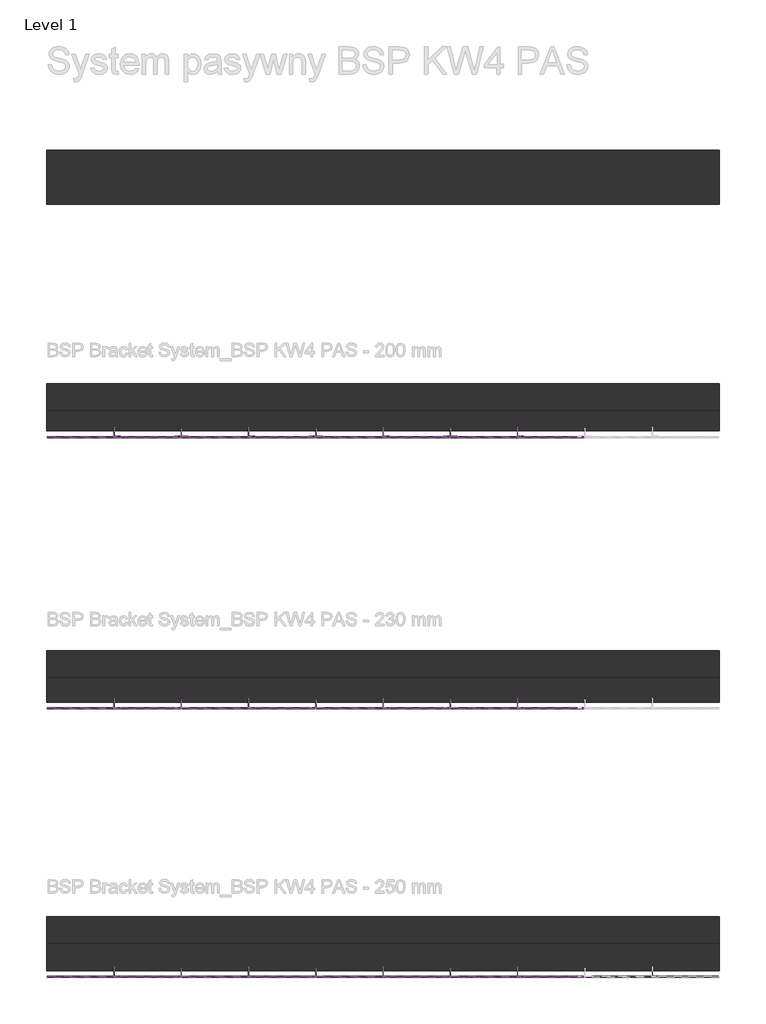
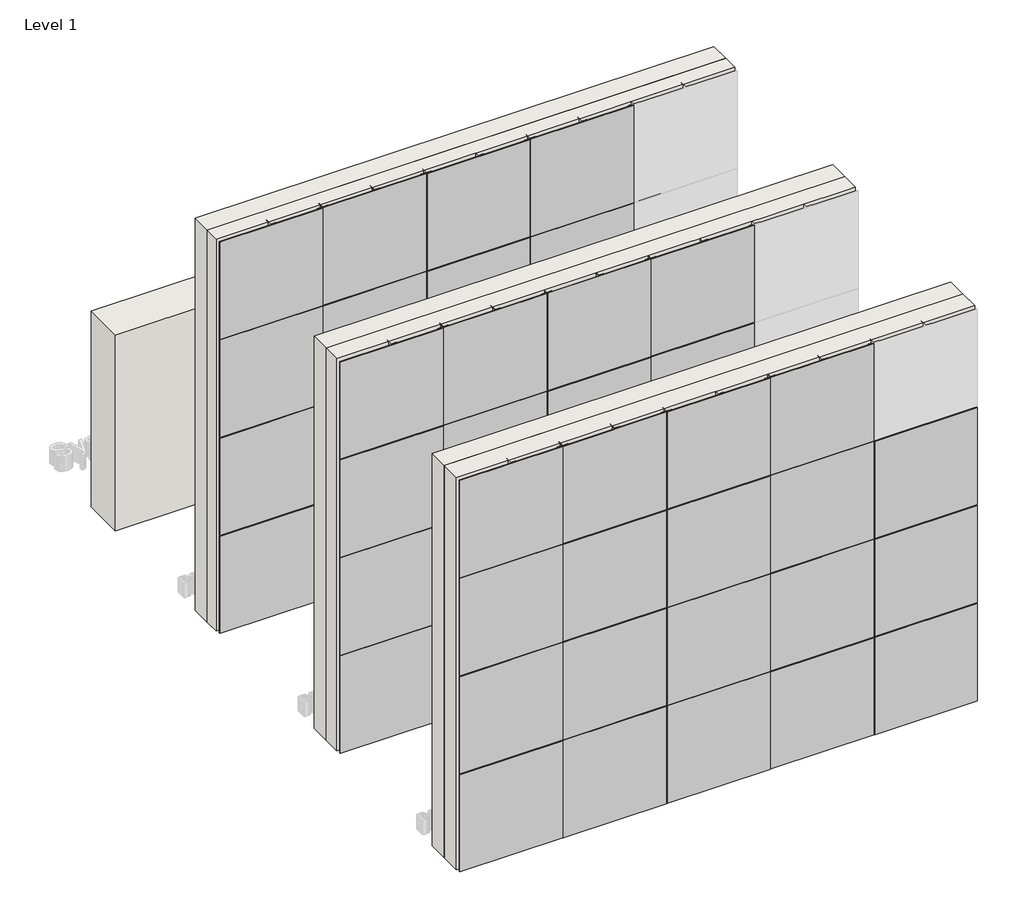
# One storey, part 1 of 9: 51 plates, 36 members, 4 walls.
"""IFC4 building model written with IfcOpenShell, lengths in millimetres."""

import ifcopenshell
import ifcopenshell.guid

model = None  # the IFC model being written
_history = None  # IfcOwnerHistory: only IFC2X3 demands one
_inside = {}  # id of a spatial element -> (the spatial element, [elements in it])
_under = {}  # id of a project, library or spatial element -> (it, [spatial elements below it])
_declared = {}  # id of a project -> (the project, [libraries it declares])
_typed = {}  # id of a type object -> (the type object, [elements of that type])
_made_of = {}  # id of a material, layer set ... -> (it, [elements and type objects made of it])


def new_model(schema):
    """Start an empty IFC model of exactly this schema.

    Asked for "IFC4X3", IfcOpenShell would pick the latest addendum, in which some entities
    have other attributes; the version numbers below select the first issue.
    IFC2X3 requires an IfcOwnerHistory on every rooted entity: one is made here for all.
    """
    global model, _history
    if schema == "IFC4X3":
        model = ifcopenshell.file(schema_version=(4, 3, 0, 0))
    else:
        model = ifcopenshell.file(schema=schema)
    _inside.clear()
    _under.clear()
    _declared.clear()
    _typed.clear()
    _made_of.clear()
    _history = None
    if model.schema == "IFC2X3":
        org = make("IfcOrganization", Name="unknown")
        user = make(
            "IfcPersonAndOrganization",
            ThePerson=make("IfcPerson", FamilyName="unknown"),
            TheOrganization=org,
        )
        app = make(
            "IfcApplication",
            ApplicationDeveloper=org,
            Version="unknown",
            ApplicationFullName="unknown",
            ApplicationIdentifier="unknown",
        )
        _history = make(
            "IfcOwnerHistory",
            OwningUser=user,
            OwningApplication=app,
            ChangeAction="ADDED",
            CreationDate=0,
        )
    return model


def make(cls, **values):
    """One entity of the class cls with the attributes given. An attribute that is None is left unset."""
    return model.create_entity(
        cls, **{name: value for name, value in values.items() if value is not None}
    )


def rooted(cls, **values):
    """An entity with a GlobalId (a new one), such as an element, a storey or a relation."""
    return make(cls, GlobalId=ifcopenshell.guid.new(), OwnerHistory=_history, **values)


def si_unit(unit_type, name, prefix=None):
    """IfcSIUnit, for example si_unit("LENGTHUNIT", "METRE", prefix="MILLI")."""
    return make("IfcSIUnit", UnitType=unit_type, Prefix=prefix, Name=name)


def assignment(units):
    """IfcUnitAssignment: the units of a project."""
    return None if units is None else make("IfcUnitAssignment", Units=units)


def point(xyz):
    """IfcCartesianPoint."""
    return None if xyz is None else make("IfcCartesianPoint", Coordinates=xyz)


def direction(xyz):
    """IfcDirection."""
    return None if xyz is None else make("IfcDirection", DirectionRatios=xyz)


def frame(location, z_axis=None, x_axis=None):
    """IfcAxis2Placement3D, a coordinate frame: its origin and axes. An axis left out is left unset."""
    return make(
        "IfcAxis2Placement3D",
        Location=point(location),
        Axis=direction(z_axis),
        RefDirection=direction(x_axis),
    )


def origin():
    """The frame at (0, 0, 0) with its axes left unset."""
    return frame((0.0, 0.0, 0.0))


def origin_with_axes():
    """The frame at (0, 0, 0) with the z axis (0, 0, 1) and the x axis (1, 0, 0) written out."""
    return frame((0.0, 0.0, 0.0), z_axis=(0.0, 0.0, 1.0), x_axis=(1.0, 0.0, 0.0))


def place(relative_to, where):
    """IfcLocalPlacement: puts the frame where relative to a parent placement (None: the world)."""
    return make(
        "IfcLocalPlacement", PlacementRelTo=relative_to, RelativePlacement=where
    )


def context(
    kind, dimensions, precision=None, world=None, true_north=None, identifier=None
):
    """IfcGeometricRepresentationContext, for example the 3D "Model" context."""
    return make(
        "IfcGeometricRepresentationContext",
        ContextIdentifier=identifier,
        ContextType=kind,
        CoordinateSpaceDimension=dimensions,
        Precision=precision,
        WorldCoordinateSystem=world,
        TrueNorth=true_north,
    )


def project(units=None, contexts=None):
    """IfcProject with its units and contexts."""
    return rooted(
        "IfcProject",
        Name="project",
        RepresentationContexts=contexts,
        UnitsInContext=assignment(units),
    )


def spatial(cls, under=None, at=None, **own):
    """A site, building, storey or space (cls), placed at a placement, below another one or the project."""
    s = rooted(cls, ObjectPlacement=at, **own)
    if under is not None:
        _under.setdefault(under.id(), (under, []))[1].append(s)
    return s


def polyline(points):
    """IfcPolyline through the points."""
    return make("IfcPolyline", Points=[point(p) for p in points])


def outline(outer, holes=None, kind="AREA"):
    """IfcArbitraryClosedProfileDef: a profile drawn as a closed curve; with holes, ...WithVoids."""
    if holes is None:
        return make("IfcArbitraryClosedProfileDef", ProfileType=kind, OuterCurve=outer)
    return make(
        "IfcArbitraryProfileDefWithVoids",
        ProfileType=kind,
        OuterCurve=outer,
        InnerCurves=holes,
    )


def extrude(swept, where, along, depth):
    """IfcExtrudedAreaSolid: the profile swept, set in the frame where, extruded along a direction by depth."""
    return make(
        "IfcExtrudedAreaSolid",
        SweptArea=swept,
        Position=where,
        ExtrudedDirection=direction(along),
        Depth=depth,
    )


def shape(context_of_items, identifier, shape_type, items):
    """IfcShapeRepresentation: the items that make up one representation, for example the "Body"."""
    return make(
        "IfcShapeRepresentation",
        ContextOfItems=context_of_items,
        RepresentationIdentifier=identifier,
        RepresentationType=shape_type,
        Items=items,
    )


def source(mapping_origin, context_of_items, identifier, shape_type, items):
    """IfcRepresentationMap: a shape defined once, which mapped items show again and again."""
    return make(
        "IfcRepresentationMap",
        MappingOrigin=mapping_origin,
        MappedRepresentation=shape(context_of_items, identifier, shape_type, items),
    )


def transform(
    local_origin,
    x_axis=None,
    y_axis=None,
    z_axis=None,
    scale=None,
    scale2=None,
    scale3=None,
    uniform=True,
):
    """IfcCartesianTransformationOperator3D, or its non-uniform kind. x_axis, y_axis, z_axis: its Axis1, 2, 3."""
    if uniform:
        return make(
            "IfcCartesianTransformationOperator3D",
            Axis1=direction(x_axis),
            Axis2=direction(y_axis),
            LocalOrigin=point(local_origin),
            Scale=scale,
            Axis3=direction(z_axis),
        )
    return make(
        "IfcCartesianTransformationOperator3DnonUniform",
        Axis1=direction(x_axis),
        Axis2=direction(y_axis),
        LocalOrigin=point(local_origin),
        Scale=scale,
        Axis3=direction(z_axis),
        Scale2=scale2,
        Scale3=scale3,
    )


def mapped(mapping_source, mapping_target):
    """IfcMappedItem: shows the shape of a source again, moved by a transform."""
    return make(
        "IfcMappedItem", MappingSource=mapping_source, MappingTarget=mapping_target
    )


def made_of(thing, what):
    """Note that an element or type object is made of a material, layer set ...; save() writes the relation."""
    if what is not None:
        _made_of.setdefault(what.id(), (what, []))[1].append(thing)
    return thing


def element(
    cls,
    number,
    at=None,
    inside=None,
    cuts=None,
    type_object=None,
    material=None,
    context=None,
    identifier="Body",
    shape_type=None,
    held_by="IfcProductDefinitionShape",
    body=None,
    shapes=None,
    **own,
):
    """One element of the class cls, such as IfcWall. Its Tag is "e" and its number.

    at: its placement. inside: the storey or other place that contains it. cuts: it is an
    opening in that element (IfcRelVoidsElement). A single representation is given by context,
    identifier, shape_type and body (its items); several are given by shapes. held_by: the class
    of the entity that holds the representations. save() writes the other relations.
    """
    e = rooted(cls, Tag="e%d" % number, ObjectPlacement=at, **own)
    if body is not None:
        shapes = [shape(context, identifier, shape_type, body)]
    if shapes is not None:
        e.Representation = make(held_by, Representations=shapes)
    if inside is not None:
        _inside.setdefault(inside.id(), (inside, []))[1].append(e)
    if cuts is not None:
        rooted(
            "IfcRelVoidsElement", RelatingBuildingElement=cuts, RelatedOpeningElement=e
        )
    if type_object is not None:
        _typed.setdefault(type_object.id(), (type_object, []))[1].append(e)
    return made_of(e, material)


def aggregate(whole, parts):
    """IfcRelAggregates: a whole, such as a stair, and the parts it consists of."""
    return rooted("IfcRelAggregates", RelatingObject=whole, RelatedObjects=parts)


def save(model, path):
    """Write the relations noted so far, then the file.

    IfcRelAggregates (storeys below a building ...), IfcRelContainedInSpatialStructure (elements
    in a storey), IfcRelDefinesByType, IfcRelAssociatesMaterial and IfcRelDeclares: one each for
    every whole, place, type object, material and project.
    """
    for whole, parts in _under.values():
        aggregate(whole, parts)
    for where, things in _inside.values():
        rooted(
            "IfcRelContainedInSpatialStructure",
            RelatedElements=things,
            RelatingStructure=where,
        )
    for kind, things in _typed.values():
        rooted("IfcRelDefinesByType", RelatedObjects=things, RelatingType=kind)
    for what, things in _made_of.values():
        rooted("IfcRelAssociatesMaterial", RelatedObjects=things, RelatingMaterial=what)
    for by, libraries in _declared.values():
        rooted("IfcRelDeclares", RelatingContext=by, RelatedDefinitions=libraries)
    model.write(path)


def rectangular_mullion_8bf15701(model_context):
    return source(origin(), model_context, "Body", "SweptSolid", [
        extrude(outline(polyline([(49.0, -242.0), (-51.0, -242.0), (-51.0, -240.0), (-2.0, -240.0), (-2.0, -182.0), (0.0, -182.0), (0.0, -240.0), (49.0, -240.0), (49.0, -242.0)])), frame((0.0, 0.0, -1000.0), z_axis=(0.0, 0.0, 1.0), x_axis=(1.0, 0.0, 0.0)), (0.0, 0.0, 1.0), 1000.0),
    ])


def rectangular_mullion_cf483ad7(model_context):
    return source(origin(), model_context, "Body", "SweptSolid", [
        extrude(outline(polyline([(49.0, -222.0), (-51.0, -222.0), (-51.0, -220.0), (-2.0, -220.0), (-2.0, -162.0), (0.0, -162.0), (0.0, -220.0), (49.0, -220.0), (49.0, -222.0)])), frame((0.0, 0.0, -1000.0), z_axis=(0.0, 0.0, 1.0), x_axis=(1.0, 0.0, 0.0)), (0.0, 0.0, 1.0), 1000.0),
    ])


def rectangular_mullion_188cab97(model_context):
    return source(origin(), model_context, "Body", "SweptSolid", [
        extrude(outline(polyline([(49.0, -192.0), (-51.0, -192.0), (-51.0, -190.0), (-2.0, -190.0), (-2.0, -132.0), (0.0, -132.0), (0.0, -190.0), (49.0, -190.0), (49.0, -192.0)])), frame((0.0, 0.0, -1000.0), z_axis=(0.0, 0.0, 1.0), x_axis=(1.0, 0.0, 0.0)), (0.0, 0.0, 1.0), 1000.0),
    ])


def bsp_panel_200_mm_5d8d53f0(model_context):
    return source(origin(), model_context, "Body", "SweptSolid", [
        extrude(outline(polyline([(496.0000001, 200.0), (496.0000001, 192.0), (-496.0000001, 192.0), (-496.0000001, 200.0), (496.0000001, 200.0)])), frame((0.0, 0.0, 4.0), z_axis=(0.0, 0.0, 1.0), x_axis=(1.0, 0.0, 0.0)), (0.0, 0.0, 1.0), 992.0),
        extrude(outline(polyline([(-50.0, 192.0), (0.0, 192.0), (0.0, 122.0), (-2.0, 122.0), (-2.0, 190.0), (-50.0, 190.0), (-50.0, 192.0)])), origin_with_axes(), (0.0, 0.0, 1.0), 1000.0),
    ])


def bsp_panel_230_mm_23652ffd(model_context):
    return source(origin(), model_context, "Body", "SweptSolid", [
        extrude(outline(polyline([(496.0000001, 230.0), (496.0000001, 222.0), (-496.0000001, 222.0), (-496.0000001, 230.0), (496.0000001, 230.0)])), frame((0.0, 0.0, 4.0), z_axis=(0.0, 0.0, 1.0), x_axis=(1.0, 0.0, 0.0)), (0.0, 0.0, 1.0), 992.0),
        extrude(outline(polyline([(-50.0, 222.0), (0.0, 222.0), (0.0, 152.0), (-2.0, 152.0), (-2.0, 220.0), (-50.0, 220.0), (-50.0, 222.0)])), origin_with_axes(), (0.0, 0.0, 1.0), 1000.0),
    ])


def bsp_panel_250_mm_bfacd3bb(model_context):
    return source(origin(), model_context, "Body", "SweptSolid", [
        extrude(outline(polyline([(496.0000001, 250.0), (496.0000001, 242.0), (-496.0000001, 242.0), (-496.0000001, 250.0), (496.0000001, 250.0)])), frame((0.0, 0.0, 4.0), z_axis=(0.0, 0.0, 1.0), x_axis=(1.0, 0.0, 0.0)), (0.0, 0.0, 1.0), 992.0),
        extrude(outline(polyline([(-50.0, 242.0), (0.0, 242.0), (0.0, 172.0), (-2.0, 172.0), (-2.0, 240.0), (-50.0, 240.0), (-50.0, 242.0)])), origin_with_axes(), (0.0, 0.0, 1.0), 1000.0),
    ])


model = new_model("IFC4")

# Units and contexts
model_context = context("Model", 3, world=origin())
ifc_project = project(units=[si_unit("LENGTHUNIT", "METRE", prefix="MILLI")], contexts=[model_context])

# Site, building, storey
site = spatial("IfcSite", under=ifc_project)
building = spatial("IfcBuilding", under=site)
storey = spatial("IfcBuildingStorey", under=building, Name="Level 1", Elevation=0.0)

# Members
placement = place(None, origin())
rectangular_mullion_shape = rectangular_mullion_8bf15701(model_context)
element("IfcMember", 1, ObjectType="Rectangular Mullion", at=placement, inside=storey, context=model_context, shape_type="MappedRepresentation", body=[
    mapped(rectangular_mullion_shape, transform((-797.4368322, -6164.2281509, 0.0), x_axis=(-1.0, 0.0, 0.0), y_axis=(0.0, 1.0, 0.0), z_axis=(0.0, 0.0, -1.0))),
])
element("IfcMember", 2, ObjectType="Rectangular Mullion", at=placement, inside=storey, context=model_context, shape_type="MappedRepresentation", body=[
    mapped(rectangular_mullion_shape, transform((-1797.4368321, -6164.2281509, 0.0), x_axis=(-1.0, 0.0, 0.0), y_axis=(0.0, 1.0, 0.0), z_axis=(0.0, 0.0, -1.0))),
])
element("IfcMember", 3, ObjectType="Rectangular Mullion", at=placement, inside=storey, context=model_context, shape_type="MappedRepresentation", body=[
    mapped(rectangular_mullion_shape, transform((-2797.436832, -6164.2281509, 0.0), x_axis=(-1.0, 0.0, 0.0), y_axis=(0.0, 1.0, 0.0), z_axis=(0.0, 0.0, -1.0))),
])
element("IfcMember", 4, ObjectType="Rectangular Mullion", at=placement, inside=storey, context=model_context, shape_type="MappedRepresentation", body=[
    mapped(rectangular_mullion_shape, transform((-797.4368322, -6164.2281509, 1000.0), x_axis=(-1.0, 0.0, 0.0), y_axis=(0.0, 1.0, 0.0), z_axis=(0.0, 0.0, -1.0))),
])
element("IfcMember", 5, ObjectType="Rectangular Mullion", at=placement, inside=storey, context=model_context, shape_type="MappedRepresentation", body=[
    mapped(rectangular_mullion_shape, transform((-1797.4368321, -6164.2281509, 1000.0), x_axis=(-1.0, 0.0, 0.0), y_axis=(0.0, 1.0, 0.0), z_axis=(0.0, 0.0, -1.0))),
])
element("IfcMember", 6, ObjectType="Rectangular Mullion", at=placement, inside=storey, context=model_context, shape_type="MappedRepresentation", body=[
    mapped(rectangular_mullion_shape, transform((-2797.436832, -6164.2281509, 1000.0), x_axis=(-1.0, 0.0, 0.0), y_axis=(0.0, 1.0, 0.0), z_axis=(0.0, 0.0, -1.0))),
])
element("IfcMember", 7, ObjectType="Rectangular Mullion", at=placement, inside=storey, context=model_context, shape_type="MappedRepresentation", body=[
    mapped(rectangular_mullion_shape, transform((-797.4368322, -6164.2281509, 2000.0), x_axis=(-1.0, 0.0, 0.0), y_axis=(0.0, 1.0, 0.0), z_axis=(0.0, 0.0, -1.0))),
])
element("IfcMember", 8, ObjectType="Rectangular Mullion", at=placement, inside=storey, context=model_context, shape_type="MappedRepresentation", body=[
    mapped(rectangular_mullion_shape, transform((-1797.4368321, -6164.2281509, 2000.0), x_axis=(-1.0, 0.0, 0.0), y_axis=(0.0, 1.0, 0.0), z_axis=(0.0, 0.0, -1.0))),
])
element("IfcMember", 9, ObjectType="Rectangular Mullion", at=placement, inside=storey, context=model_context, shape_type="MappedRepresentation", body=[
    mapped(rectangular_mullion_shape, transform((-2797.436832, -6164.2281509, 2000.0), x_axis=(-1.0, 0.0, 0.0), y_axis=(0.0, 1.0, 0.0), z_axis=(0.0, 0.0, -1.0))),
])
element("IfcMember", 10, ObjectType="Rectangular Mullion", at=placement, inside=storey, context=model_context, shape_type="MappedRepresentation", body=[
    mapped(rectangular_mullion_shape, transform((-797.4368322, -6164.2281509, 3000.0), x_axis=(-1.0, 0.0, 0.0), y_axis=(0.0, 1.0, 0.0), z_axis=(0.0, 0.0, -1.0))),
])
element("IfcMember", 11, ObjectType="Rectangular Mullion", at=placement, inside=storey, context=model_context, shape_type="MappedRepresentation", body=[
    mapped(rectangular_mullion_shape, transform((-1797.4368321, -6164.2281509, 3000.0), x_axis=(-1.0, 0.0, 0.0), y_axis=(0.0, 1.0, 0.0), z_axis=(0.0, 0.0, -1.0))),
])
element("IfcMember", 12, ObjectType="Rectangular Mullion", at=placement, inside=storey, context=model_context, shape_type="MappedRepresentation", body=[
    mapped(rectangular_mullion_shape, transform((-2797.436832, -6164.2281509, 3000.0), x_axis=(-1.0, 0.0, 0.0), y_axis=(0.0, 1.0, 0.0), z_axis=(0.0, 0.0, -1.0))),
])
rectangular_mullion_2_shape = rectangular_mullion_cf483ad7(model_context)
element("IfcMember", 13, ObjectType="Rectangular Mullion", at=placement, inside=storey, context=model_context, shape_type="MappedRepresentation", body=[
    mapped(rectangular_mullion_2_shape, transform((-797.4368322, -4189.2281509, 0.0), x_axis=(-1.0, 0.0, 0.0), y_axis=(0.0, 1.0, 0.0), z_axis=(0.0, 0.0, -1.0))),
])
element("IfcMember", 14, ObjectType="Rectangular Mullion", at=placement, inside=storey, context=model_context, shape_type="MappedRepresentation", body=[
    mapped(rectangular_mullion_2_shape, transform((-1797.4368321, -4189.2281509, 0.0), x_axis=(-1.0, 0.0, 0.0), y_axis=(0.0, 1.0, 0.0), z_axis=(0.0, 0.0, -1.0))),
])
element("IfcMember", 15, ObjectType="Rectangular Mullion", at=placement, inside=storey, context=model_context, shape_type="MappedRepresentation", body=[
    mapped(rectangular_mullion_2_shape, transform((-2797.436832, -4189.2281509, 0.0), x_axis=(-1.0, 0.0, 0.0), y_axis=(0.0, 1.0, 0.0), z_axis=(0.0, 0.0, -1.0))),
])
element("IfcMember", 16, ObjectType="Rectangular Mullion", at=placement, inside=storey, context=model_context, shape_type="MappedRepresentation", body=[
    mapped(rectangular_mullion_2_shape, transform((-797.4368322, -4189.2281509, 1000.0), x_axis=(-1.0, 0.0, 0.0), y_axis=(0.0, 1.0, 0.0), z_axis=(0.0, 0.0, -1.0))),
])
element("IfcMember", 17, ObjectType="Rectangular Mullion", at=placement, inside=storey, context=model_context, shape_type="MappedRepresentation", body=[
    mapped(rectangular_mullion_2_shape, transform((-1797.4368321, -4189.2281509, 1000.0), x_axis=(-1.0, 0.0, 0.0), y_axis=(0.0, 1.0, 0.0), z_axis=(0.0, 0.0, -1.0))),
])
element("IfcMember", 18, ObjectType="Rectangular Mullion", at=placement, inside=storey, context=model_context, shape_type="MappedRepresentation", body=[
    mapped(rectangular_mullion_2_shape, transform((-2797.436832, -4189.2281509, 1000.0), x_axis=(-1.0, 0.0, 0.0), y_axis=(0.0, 1.0, 0.0), z_axis=(0.0, 0.0, -1.0))),
])
element("IfcMember", 19, ObjectType="Rectangular Mullion", at=placement, inside=storey, context=model_context, shape_type="MappedRepresentation", body=[
    mapped(rectangular_mullion_2_shape, transform((-797.4368322, -4189.2281509, 2000.0), x_axis=(-1.0, 0.0, 0.0), y_axis=(0.0, 1.0, 0.0), z_axis=(0.0, 0.0, -1.0))),
])
element("IfcMember", 20, ObjectType="Rectangular Mullion", at=placement, inside=storey, context=model_context, shape_type="MappedRepresentation", body=[
    mapped(rectangular_mullion_2_shape, transform((-1797.4368321, -4189.2281509, 2000.0), x_axis=(-1.0, 0.0, 0.0), y_axis=(0.0, 1.0, 0.0), z_axis=(0.0, 0.0, -1.0))),
])
element("IfcMember", 21, ObjectType="Rectangular Mullion", at=placement, inside=storey, context=model_context, shape_type="MappedRepresentation", body=[
    mapped(rectangular_mullion_2_shape, transform((-2797.436832, -4189.2281509, 2000.0), x_axis=(-1.0, 0.0, 0.0), y_axis=(0.0, 1.0, 0.0), z_axis=(0.0, 0.0, -1.0))),
])
element("IfcMember", 22, ObjectType="Rectangular Mullion", at=placement, inside=storey, context=model_context, shape_type="MappedRepresentation", body=[
    mapped(rectangular_mullion_2_shape, transform((-797.4368322, -4189.2281509, 3000.0), x_axis=(-1.0, 0.0, 0.0), y_axis=(0.0, 1.0, 0.0), z_axis=(0.0, 0.0, -1.0))),
])
element("IfcMember", 23, ObjectType="Rectangular Mullion", at=placement, inside=storey, context=model_context, shape_type="MappedRepresentation", body=[
    mapped(rectangular_mullion_2_shape, transform((-1797.4368321, -4189.2281509, 3000.0), x_axis=(-1.0, 0.0, 0.0), y_axis=(0.0, 1.0, 0.0), z_axis=(0.0, 0.0, -1.0))),
])
element("IfcMember", 24, ObjectType="Rectangular Mullion", at=placement, inside=storey, context=model_context, shape_type="MappedRepresentation", body=[
    mapped(rectangular_mullion_2_shape, transform((-2797.436832, -4189.2281509, 3000.0), x_axis=(-1.0, 0.0, 0.0), y_axis=(0.0, 1.0, 0.0), z_axis=(0.0, 0.0, -1.0))),
])
rectangular_mullion_3_shape = rectangular_mullion_188cab97(model_context)
element("IfcMember", 25, ObjectType="Rectangular Mullion", at=placement, inside=storey, context=model_context, shape_type="MappedRepresentation", body=[
    mapped(rectangular_mullion_3_shape, transform((-797.4368322, -2204.2281509, 0.0), x_axis=(-1.0, 0.0, 0.0), y_axis=(0.0, 1.0, 0.0), z_axis=(0.0, 0.0, -1.0))),
])
element("IfcMember", 26, ObjectType="Rectangular Mullion", at=placement, inside=storey, context=model_context, shape_type="MappedRepresentation", body=[
    mapped(rectangular_mullion_3_shape, transform((-1797.4368321, -2204.2281509, 0.0), x_axis=(-1.0, 0.0, 0.0), y_axis=(0.0, 1.0, 0.0), z_axis=(0.0, 0.0, -1.0))),
])
element("IfcMember", 27, ObjectType="Rectangular Mullion", at=placement, inside=storey, context=model_context, shape_type="MappedRepresentation", body=[
    mapped(rectangular_mullion_3_shape, transform((-2797.436832, -2204.2281509, 0.0), x_axis=(-1.0, 0.0, 0.0), y_axis=(0.0, 1.0, 0.0), z_axis=(0.0, 0.0, -1.0))),
])
element("IfcMember", 28, ObjectType="Rectangular Mullion", at=placement, inside=storey, context=model_context, shape_type="MappedRepresentation", body=[
    mapped(rectangular_mullion_3_shape, transform((-797.4368322, -2204.2281509, 1000.0), x_axis=(-1.0, 0.0, 0.0), y_axis=(0.0, 1.0, 0.0), z_axis=(0.0, 0.0, -1.0))),
])
element("IfcMember", 29, ObjectType="Rectangular Mullion", at=placement, inside=storey, context=model_context, shape_type="MappedRepresentation", body=[
    mapped(rectangular_mullion_3_shape, transform((-1797.4368321, -2204.2281509, 1000.0), x_axis=(-1.0, 0.0, 0.0), y_axis=(0.0, 1.0, 0.0), z_axis=(0.0, 0.0, -1.0))),
])
element("IfcMember", 30, ObjectType="Rectangular Mullion", at=placement, inside=storey, context=model_context, shape_type="MappedRepresentation", body=[
    mapped(rectangular_mullion_3_shape, transform((-2797.436832, -2204.2281509, 1000.0), x_axis=(-1.0, 0.0, 0.0), y_axis=(0.0, 1.0, 0.0), z_axis=(0.0, 0.0, -1.0))),
])
element("IfcMember", 31, ObjectType="Rectangular Mullion", at=placement, inside=storey, context=model_context, shape_type="MappedRepresentation", body=[
    mapped(rectangular_mullion_3_shape, transform((-797.4368322, -2204.2281509, 2000.0), x_axis=(-1.0, 0.0, 0.0), y_axis=(0.0, 1.0, 0.0), z_axis=(0.0, 0.0, -1.0))),
])
element("IfcMember", 32, ObjectType="Rectangular Mullion", at=placement, inside=storey, context=model_context, shape_type="MappedRepresentation", body=[
    mapped(rectangular_mullion_3_shape, transform((-1797.4368321, -2204.2281509, 2000.0), x_axis=(-1.0, 0.0, 0.0), y_axis=(0.0, 1.0, 0.0), z_axis=(0.0, 0.0, -1.0))),
])
element("IfcMember", 33, ObjectType="Rectangular Mullion", at=placement, inside=storey, context=model_context, shape_type="MappedRepresentation", body=[
    mapped(rectangular_mullion_3_shape, transform((-2797.436832, -2204.2281509, 2000.0), x_axis=(-1.0, 0.0, 0.0), y_axis=(0.0, 1.0, 0.0), z_axis=(0.0, 0.0, -1.0))),
])
element("IfcMember", 34, ObjectType="Rectangular Mullion", at=placement, inside=storey, context=model_context, shape_type="MappedRepresentation", body=[
    mapped(rectangular_mullion_3_shape, transform((-797.4368322, -2204.2281509, 3000.0), x_axis=(-1.0, 0.0, 0.0), y_axis=(0.0, 1.0, 0.0), z_axis=(0.0, 0.0, -1.0))),
])
element("IfcMember", 35, ObjectType="Rectangular Mullion", at=placement, inside=storey, context=model_context, shape_type="MappedRepresentation", body=[
    mapped(rectangular_mullion_3_shape, transform((-1797.4368321, -2204.2281509, 3000.0), x_axis=(-1.0, 0.0, 0.0), y_axis=(0.0, 1.0, 0.0), z_axis=(0.0, 0.0, -1.0))),
])
element("IfcMember", 36, ObjectType="Rectangular Mullion", at=placement, inside=storey, context=model_context, shape_type="MappedRepresentation", body=[
    mapped(rectangular_mullion_3_shape, transform((-2797.436832, -2204.2281509, 3000.0), x_axis=(-1.0, 0.0, 0.0), y_axis=(0.0, 1.0, 0.0), z_axis=(0.0, 0.0, -1.0))),
])

# Plates
bsp_panel_200_mm_shape = bsp_panel_200_mm_5d8d53f0(model_context)
element("IfcPlate", 37, ObjectType="BSP_Panel : 200 mm", at=placement, inside=storey, context=model_context, shape_type="MappedRepresentation", body=[
    mapped(bsp_panel_200_mm_shape, transform((-297.4368323, -2204.2281509, 0.0), x_axis=(-1.0, 0.0, 0.0), y_axis=(0.0, -1.0, 0.0), z_axis=(0.0, 0.0, 1.0))),
])
element("IfcPlate", 38, ObjectType="BSP_Panel : 200 mm", at=placement, inside=storey, context=model_context, shape_type="MappedRepresentation", body=[
    mapped(bsp_panel_200_mm_shape, transform((-1297.4368322, -2204.2281509, 0.0), x_axis=(-1.0, 0.0, 0.0), y_axis=(0.0, -1.0, 0.0), z_axis=(0.0, 0.0, 1.0))),
])
element("IfcPlate", 39, ObjectType="BSP_Panel : 200 mm", at=placement, inside=storey, context=model_context, shape_type="MappedRepresentation", body=[
    mapped(bsp_panel_200_mm_shape, transform((-2297.436832, -2204.2281509, 0.0), x_axis=(-1.0, 0.0, 0.0), y_axis=(0.0, -1.0, 0.0), z_axis=(0.0, 0.0, 1.0))),
])
element("IfcPlate", 40, ObjectType="BSP_Panel : 200 mm", at=placement, inside=storey, context=model_context, shape_type="MappedRepresentation", body=[
    mapped(bsp_panel_200_mm_shape, transform((-3297.4368321, -2204.2281509, 0.0), x_axis=(-1.0, 0.0, 0.0), y_axis=(0.0, -1.0, 0.0), z_axis=(0.0, 0.0, 1.0))),
])
element("IfcPlate", 41, ObjectType="BSP_Panel : 200 mm", at=placement, inside=storey, context=model_context, shape_type="MappedRepresentation", body=[
    mapped(bsp_panel_200_mm_shape, transform((-297.4368323, -2204.2281509, 1000.0), x_axis=(-1.0, 0.0, 0.0), y_axis=(0.0, -1.0, 0.0), z_axis=(0.0, 0.0, 1.0))),
])
element("IfcPlate", 42, ObjectType="BSP_Panel : 200 mm", at=placement, inside=storey, context=model_context, shape_type="MappedRepresentation", body=[
    mapped(bsp_panel_200_mm_shape, transform((-1297.4368322, -2204.2281509, 1000.0), x_axis=(-1.0, 0.0, 0.0), y_axis=(0.0, -1.0, 0.0), z_axis=(0.0, 0.0, 1.0))),
])
element("IfcPlate", 43, ObjectType="BSP_Panel : 200 mm", at=placement, inside=storey, context=model_context, shape_type="MappedRepresentation", body=[
    mapped(bsp_panel_200_mm_shape, transform((-2297.436832, -2204.2281509, 1000.0), x_axis=(-1.0, 0.0, 0.0), y_axis=(0.0, -1.0, 0.0), z_axis=(0.0, 0.0, 1.0))),
])
element("IfcPlate", 44, ObjectType="BSP_Panel : 200 mm", at=placement, inside=storey, context=model_context, shape_type="MappedRepresentation", body=[
    mapped(bsp_panel_200_mm_shape, transform((-3297.4368321, -2204.2281509, 1000.0), x_axis=(-1.0, 0.0, 0.0), y_axis=(0.0, -1.0, 0.0), z_axis=(0.0, 0.0, 1.0))),
])
element("IfcPlate", 45, ObjectType="BSP_Panel : 200 mm", at=placement, inside=storey, context=model_context, shape_type="MappedRepresentation", body=[
    mapped(bsp_panel_200_mm_shape, transform((-297.4368323, -2204.2281509, 2000.0), x_axis=(-1.0, 0.0, 0.0), y_axis=(0.0, -1.0, 0.0), z_axis=(0.0, 0.0, 1.0))),
])
element("IfcPlate", 46, ObjectType="BSP_Panel : 200 mm", at=placement, inside=storey, context=model_context, shape_type="MappedRepresentation", body=[
    mapped(bsp_panel_200_mm_shape, transform((-1297.4368322, -2204.2281509, 2000.0), x_axis=(-1.0, 0.0, 0.0), y_axis=(0.0, -1.0, 0.0), z_axis=(0.0, 0.0, 1.0))),
])
element("IfcPlate", 47, ObjectType="BSP_Panel : 200 mm", at=placement, inside=storey, context=model_context, shape_type="MappedRepresentation", body=[
    mapped(bsp_panel_200_mm_shape, transform((-2297.436832, -2204.2281509, 2000.0), x_axis=(-1.0, 0.0, 0.0), y_axis=(0.0, -1.0, 0.0), z_axis=(0.0, 0.0, 1.0))),
])
element("IfcPlate", 48, ObjectType="BSP_Panel : 200 mm", at=placement, inside=storey, context=model_context, shape_type="MappedRepresentation", body=[
    mapped(bsp_panel_200_mm_shape, transform((-3297.4368321, -2204.2281509, 2000.0), x_axis=(-1.0, 0.0, 0.0), y_axis=(0.0, -1.0, 0.0), z_axis=(0.0, 0.0, 1.0))),
])
element("IfcPlate", 49, ObjectType="BSP_Panel : 200 mm", at=placement, inside=storey, context=model_context, shape_type="MappedRepresentation", body=[
    mapped(bsp_panel_200_mm_shape, transform((-297.4368323, -2204.2281509, 3000.0), x_axis=(-1.0, 0.0, 0.0), y_axis=(0.0, -1.0, 0.0), z_axis=(0.0, 0.0, 1.0))),
])
element("IfcPlate", 50, ObjectType="BSP_Panel : 200 mm", at=placement, inside=storey, context=model_context, shape_type="MappedRepresentation", body=[
    mapped(bsp_panel_200_mm_shape, transform((-1297.4368322, -2204.2281509, 3000.0), x_axis=(-1.0, 0.0, 0.0), y_axis=(0.0, -1.0, 0.0), z_axis=(0.0, 0.0, 1.0))),
])
element("IfcPlate", 51, ObjectType="BSP_Panel : 200 mm", at=placement, inside=storey, context=model_context, shape_type="MappedRepresentation", body=[
    mapped(bsp_panel_200_mm_shape, transform((-2297.436832, -2204.2281509, 3000.0), x_axis=(-1.0, 0.0, 0.0), y_axis=(0.0, -1.0, 0.0), z_axis=(0.0, 0.0, 1.0))),
])
element("IfcPlate", 52, ObjectType="BSP_Panel : 200 mm", at=placement, inside=storey, context=model_context, shape_type="MappedRepresentation", body=[
    mapped(bsp_panel_200_mm_shape, transform((-3297.4368321, -2204.2281509, 3000.0), x_axis=(-1.0, 0.0, 0.0), y_axis=(0.0, -1.0, 0.0), z_axis=(0.0, 0.0, 1.0))),
])
bsp_panel_230_mm_shape = bsp_panel_230_mm_23652ffd(model_context)
element("IfcPlate", 53, ObjectType="BSP_Panel : 230 mm", at=placement, inside=storey, context=model_context, shape_type="MappedRepresentation", body=[
    mapped(bsp_panel_230_mm_shape, transform((-297.4368323, -4189.2281509, 0.0), x_axis=(-1.0, 0.0, 0.0), y_axis=(0.0, -1.0, 0.0), z_axis=(0.0, 0.0, 1.0))),
])
element("IfcPlate", 54, ObjectType="BSP_Panel : 230 mm", at=placement, inside=storey, context=model_context, shape_type="MappedRepresentation", body=[
    mapped(bsp_panel_230_mm_shape, transform((-1297.4368322, -4189.2281509, 0.0), x_axis=(-1.0, 0.0, 0.0), y_axis=(0.0, -1.0, 0.0), z_axis=(0.0, 0.0, 1.0))),
])
element("IfcPlate", 55, ObjectType="BSP_Panel : 230 mm", at=placement, inside=storey, context=model_context, shape_type="MappedRepresentation", body=[
    mapped(bsp_panel_230_mm_shape, transform((-2297.436832, -4189.2281509, 0.0), x_axis=(-1.0, 0.0, 0.0), y_axis=(0.0, -1.0, 0.0), z_axis=(0.0, 0.0, 1.0))),
])
element("IfcPlate", 56, ObjectType="BSP_Panel : 230 mm", at=placement, inside=storey, context=model_context, shape_type="MappedRepresentation", body=[
    mapped(bsp_panel_230_mm_shape, transform((-3297.4368321, -4189.2281509, 0.0), x_axis=(-1.0, 0.0, 0.0), y_axis=(0.0, -1.0, 0.0), z_axis=(0.0, 0.0, 1.0))),
])
element("IfcPlate", 57, ObjectType="BSP_Panel : 230 mm", at=placement, inside=storey, context=model_context, shape_type="MappedRepresentation", body=[
    mapped(bsp_panel_230_mm_shape, transform((-297.4368323, -4189.2281509, 1000.0), x_axis=(-1.0, 0.0, 0.0), y_axis=(0.0, -1.0, 0.0), z_axis=(0.0, 0.0, 1.0))),
])
element("IfcPlate", 58, ObjectType="BSP_Panel : 230 mm", at=placement, inside=storey, context=model_context, shape_type="MappedRepresentation", body=[
    mapped(bsp_panel_230_mm_shape, transform((-1297.4368322, -4189.2281509, 1000.0), x_axis=(-1.0, 0.0, 0.0), y_axis=(0.0, -1.0, 0.0), z_axis=(0.0, 0.0, 1.0))),
])
element("IfcPlate", 59, ObjectType="BSP_Panel : 230 mm", at=placement, inside=storey, context=model_context, shape_type="MappedRepresentation", body=[
    mapped(bsp_panel_230_mm_shape, transform((-2297.436832, -4189.2281509, 1000.0), x_axis=(-1.0, 0.0, 0.0), y_axis=(0.0, -1.0, 0.0), z_axis=(0.0, 0.0, 1.0))),
])
element("IfcPlate", 60, ObjectType="BSP_Panel : 230 mm", at=placement, inside=storey, context=model_context, shape_type="MappedRepresentation", body=[
    mapped(bsp_panel_230_mm_shape, transform((-3297.4368321, -4189.2281509, 1000.0), x_axis=(-1.0, 0.0, 0.0), y_axis=(0.0, -1.0, 0.0), z_axis=(0.0, 0.0, 1.0))),
])
element("IfcPlate", 61, ObjectType="BSP_Panel : 230 mm", at=placement, inside=storey, context=model_context, shape_type="MappedRepresentation", body=[
    mapped(bsp_panel_230_mm_shape, transform((-297.4368323, -4189.2281509, 2000.0), x_axis=(-1.0, 0.0, 0.0), y_axis=(0.0, -1.0, 0.0), z_axis=(0.0, 0.0, 1.0))),
])
element("IfcPlate", 62, ObjectType="BSP_Panel : 230 mm", at=placement, inside=storey, context=model_context, shape_type="MappedRepresentation", body=[
    mapped(bsp_panel_230_mm_shape, transform((-1297.4368322, -4189.2281509, 2000.0), x_axis=(-1.0, 0.0, 0.0), y_axis=(0.0, -1.0, 0.0), z_axis=(0.0, 0.0, 1.0))),
])
element("IfcPlate", 63, ObjectType="BSP_Panel : 230 mm", at=placement, inside=storey, context=model_context, shape_type="MappedRepresentation", body=[
    mapped(bsp_panel_230_mm_shape, transform((-2297.436832, -4189.2281509, 2000.0), x_axis=(-1.0, 0.0, 0.0), y_axis=(0.0, -1.0, 0.0), z_axis=(0.0, 0.0, 1.0))),
])
element("IfcPlate", 64, ObjectType="BSP_Panel : 230 mm", at=placement, inside=storey, context=model_context, shape_type="MappedRepresentation", body=[
    mapped(bsp_panel_230_mm_shape, transform((-3297.4368321, -4189.2281509, 2000.0), x_axis=(-1.0, 0.0, 0.0), y_axis=(0.0, -1.0, 0.0), z_axis=(0.0, 0.0, 1.0))),
])
element("IfcPlate", 65, ObjectType="BSP_Panel : 230 mm", at=placement, inside=storey, context=model_context, shape_type="MappedRepresentation", body=[
    mapped(bsp_panel_230_mm_shape, transform((-297.4368323, -4189.2281509, 3000.0), x_axis=(-1.0, 0.0, 0.0), y_axis=(0.0, -1.0, 0.0), z_axis=(0.0, 0.0, 1.0))),
])
element("IfcPlate", 66, ObjectType="BSP_Panel : 230 mm", at=placement, inside=storey, context=model_context, shape_type="MappedRepresentation", body=[
    mapped(bsp_panel_230_mm_shape, transform((-1297.4368322, -4189.2281509, 3000.0), x_axis=(-1.0, 0.0, 0.0), y_axis=(0.0, -1.0, 0.0), z_axis=(0.0, 0.0, 1.0))),
])
element("IfcPlate", 67, ObjectType="BSP_Panel : 230 mm", at=placement, inside=storey, context=model_context, shape_type="MappedRepresentation", body=[
    mapped(bsp_panel_230_mm_shape, transform((-2297.436832, -4189.2281509, 3000.0), x_axis=(-1.0, 0.0, 0.0), y_axis=(0.0, -1.0, 0.0), z_axis=(0.0, 0.0, 1.0))),
])
element("IfcPlate", 68, ObjectType="BSP_Panel : 230 mm", at=placement, inside=storey, context=model_context, shape_type="MappedRepresentation", body=[
    mapped(bsp_panel_230_mm_shape, transform((-3297.4368321, -4189.2281509, 3000.0), x_axis=(-1.0, 0.0, 0.0), y_axis=(0.0, -1.0, 0.0), z_axis=(0.0, 0.0, 1.0))),
])
bsp_panel_250_mm_shape = bsp_panel_250_mm_bfacd3bb(model_context)
element("IfcPlate", 69, ObjectType="BSP_Panel : 250 mm", at=placement, inside=storey, context=model_context, shape_type="MappedRepresentation", body=[
    mapped(bsp_panel_250_mm_shape, transform((702.5631677, -6164.2281509, 0.0), x_axis=(-1.0, 0.0, 0.0), y_axis=(0.0, -1.0, 0.0), z_axis=(0.0, 0.0, 1.0))),
])
element("IfcPlate", 70, ObjectType="BSP_Panel : 250 mm", at=placement, inside=storey, context=model_context, shape_type="MappedRepresentation", body=[
    mapped(bsp_panel_250_mm_shape, transform((-297.4368323, -6164.2281509, 0.0), x_axis=(-1.0, 0.0, 0.0), y_axis=(0.0, -1.0, 0.0), z_axis=(0.0, 0.0, 1.0))),
])
element("IfcPlate", 71, ObjectType="BSP_Panel : 250 mm", at=placement, inside=storey, context=model_context, shape_type="MappedRepresentation", body=[
    mapped(bsp_panel_250_mm_shape, transform((-1297.4368322, -6164.2281509, 0.0), x_axis=(-1.0, 0.0, 0.0), y_axis=(0.0, -1.0, 0.0), z_axis=(0.0, 0.0, 1.0))),
])
element("IfcPlate", 72, ObjectType="BSP_Panel : 250 mm", at=placement, inside=storey, context=model_context, shape_type="MappedRepresentation", body=[
    mapped(bsp_panel_250_mm_shape, transform((-2297.436832, -6164.2281509, 0.0), x_axis=(-1.0, 0.0, 0.0), y_axis=(0.0, -1.0, 0.0), z_axis=(0.0, 0.0, 1.0))),
])
element("IfcPlate", 73, ObjectType="BSP_Panel : 250 mm", at=placement, inside=storey, context=model_context, shape_type="MappedRepresentation", body=[
    mapped(bsp_panel_250_mm_shape, transform((-3297.4368321, -6164.2281509, 0.0), x_axis=(-1.0, 0.0, 0.0), y_axis=(0.0, -1.0, 0.0), z_axis=(0.0, 0.0, 1.0))),
])
element("IfcPlate", 74, ObjectType="BSP_Panel : 250 mm", at=placement, inside=storey, context=model_context, shape_type="MappedRepresentation", body=[
    mapped(bsp_panel_250_mm_shape, transform((702.5631677, -6164.2281509, 1000.0), x_axis=(-1.0, 0.0, 0.0), y_axis=(0.0, -1.0, 0.0), z_axis=(0.0, 0.0, 1.0))),
])
element("IfcPlate", 75, ObjectType="BSP_Panel : 250 mm", at=placement, inside=storey, context=model_context, shape_type="MappedRepresentation", body=[
    mapped(bsp_panel_250_mm_shape, transform((-297.4368323, -6164.2281509, 1000.0), x_axis=(-1.0, 0.0, 0.0), y_axis=(0.0, -1.0, 0.0), z_axis=(0.0, 0.0, 1.0))),
])
element("IfcPlate", 76, ObjectType="BSP_Panel : 250 mm", at=placement, inside=storey, context=model_context, shape_type="MappedRepresentation", body=[
    mapped(bsp_panel_250_mm_shape, transform((-1297.4368322, -6164.2281509, 1000.0), x_axis=(-1.0, 0.0, 0.0), y_axis=(0.0, -1.0, 0.0), z_axis=(0.0, 0.0, 1.0))),
])
element("IfcPlate", 77, ObjectType="BSP_Panel : 250 mm", at=placement, inside=storey, context=model_context, shape_type="MappedRepresentation", body=[
    mapped(bsp_panel_250_mm_shape, transform((-2297.436832, -6164.2281509, 1000.0), x_axis=(-1.0, 0.0, 0.0), y_axis=(0.0, -1.0, 0.0), z_axis=(0.0, 0.0, 1.0))),
])
element("IfcPlate", 78, ObjectType="BSP_Panel : 250 mm", at=placement, inside=storey, context=model_context, shape_type="MappedRepresentation", body=[
    mapped(bsp_panel_250_mm_shape, transform((-3297.4368321, -6164.2281509, 1000.0), x_axis=(-1.0, 0.0, 0.0), y_axis=(0.0, -1.0, 0.0), z_axis=(0.0, 0.0, 1.0))),
])
element("IfcPlate", 79, ObjectType="BSP_Panel : 250 mm", at=placement, inside=storey, context=model_context, shape_type="MappedRepresentation", body=[
    mapped(bsp_panel_250_mm_shape, transform((702.5631677, -6164.2281509, 2000.0), x_axis=(-1.0, 0.0, 0.0), y_axis=(0.0, -1.0, 0.0), z_axis=(0.0, 0.0, 1.0))),
])
element("IfcPlate", 80, ObjectType="BSP_Panel : 250 mm", at=placement, inside=storey, context=model_context, shape_type="MappedRepresentation", body=[
    mapped(bsp_panel_250_mm_shape, transform((-297.4368323, -6164.2281509, 2000.0), x_axis=(-1.0, 0.0, 0.0), y_axis=(0.0, -1.0, 0.0), z_axis=(0.0, 0.0, 1.0))),
])
element("IfcPlate", 81, ObjectType="BSP_Panel : 250 mm", at=placement, inside=storey, context=model_context, shape_type="MappedRepresentation", body=[
    mapped(bsp_panel_250_mm_shape, transform((-1297.4368322, -6164.2281509, 2000.0), x_axis=(-1.0, 0.0, 0.0), y_axis=(0.0, -1.0, 0.0), z_axis=(0.0, 0.0, 1.0))),
])
element("IfcPlate", 82, ObjectType="BSP_Panel : 250 mm", at=placement, inside=storey, context=model_context, shape_type="MappedRepresentation", body=[
    mapped(bsp_panel_250_mm_shape, transform((-2297.436832, -6164.2281509, 2000.0), x_axis=(-1.0, 0.0, 0.0), y_axis=(0.0, -1.0, 0.0), z_axis=(0.0, 0.0, 1.0))),
])
element("IfcPlate", 83, ObjectType="BSP_Panel : 250 mm", at=placement, inside=storey, context=model_context, shape_type="MappedRepresentation", body=[
    mapped(bsp_panel_250_mm_shape, transform((-3297.4368321, -6164.2281509, 2000.0), x_axis=(-1.0, 0.0, 0.0), y_axis=(0.0, -1.0, 0.0), z_axis=(0.0, 0.0, 1.0))),
])
element("IfcPlate", 84, ObjectType="BSP_Panel : 250 mm", at=placement, inside=storey, context=model_context, shape_type="MappedRepresentation", body=[
    mapped(bsp_panel_250_mm_shape, transform((-297.4368323, -6164.2281509, 3000.0), x_axis=(-1.0, 0.0, 0.0), y_axis=(0.0, -1.0, 0.0), z_axis=(0.0, 0.0, 1.0))),
])
element("IfcPlate", 85, ObjectType="BSP_Panel : 250 mm", at=placement, inside=storey, context=model_context, shape_type="MappedRepresentation", body=[
    mapped(bsp_panel_250_mm_shape, transform((-1297.4368322, -6164.2281509, 3000.0), x_axis=(-1.0, 0.0, 0.0), y_axis=(0.0, -1.0, 0.0), z_axis=(0.0, 0.0, 1.0))),
])
element("IfcPlate", 86, ObjectType="BSP_Panel : 250 mm", at=placement, inside=storey, context=model_context, shape_type="MappedRepresentation", body=[
    mapped(bsp_panel_250_mm_shape, transform((-2297.436832, -6164.2281509, 3000.0), x_axis=(-1.0, 0.0, 0.0), y_axis=(0.0, -1.0, 0.0), z_axis=(0.0, 0.0, 1.0))),
])
element("IfcPlate", 87, ObjectType="BSP_Panel : 250 mm", at=placement, inside=storey, context=model_context, shape_type="MappedRepresentation", body=[
    mapped(bsp_panel_250_mm_shape, transform((-3297.4368321, -6164.2281509, 3000.0), x_axis=(-1.0, 0.0, 0.0), y_axis=(0.0, -1.0, 0.0), z_axis=(0.0, 0.0, 1.0))),
])

# Walls
element("IfcWall", 88, at=placement, inside=storey, context=model_context, shape_type="SweptSolid", body=[
    extrude(outline(polyline([(-3797.4368322, -269.7823792), (1202.5631678, -269.7823792), (1202.5631678, -669.7823792), (-3797.4368322, -669.7823792), (-3797.4368322, -269.7823792)])), origin_with_axes(), (0.0, 0.0, 1.0), 2000.0),
])
element("IfcWall", 89, ObjectType="Generic 200mm + izolacja 150mm", at=placement, inside=storey, context=model_context, shape_type="SweptSolid", body=[
    extrude(outline(polyline([(1202.5631678, -2354.2281509), (-3797.4368322, -2354.2281509), (-3797.4368322, -2204.2281509), (1202.5631678, -2204.2281509), (1202.5631678, -2354.2281509)])), origin_with_axes(), (0.0, 0.0, 1.0), 4000.0),
    extrude(outline(polyline([(-3797.4368322, -2004.2281509), (1202.5631678, -2004.2281509), (1202.5631678, -2204.2281509), (-3797.4368322, -2204.2281509), (-3797.4368322, -2004.2281509)])), origin_with_axes(), (0.0, 0.0, 1.0), 4000.0),
])
element("IfcWall", 90, ObjectType="Generic 200mm + izolacja 180mm", at=placement, inside=storey, context=model_context, shape_type="SweptSolid", body=[
    extrude(outline(polyline([(1202.5631678, -4369.2281509), (-3797.4368322, -4369.2281509), (-3797.4368322, -4189.2281509), (1202.5631678, -4189.2281509), (1202.5631678, -4369.2281509)])), origin_with_axes(), (0.0, 0.0, 1.0), 4000.0),
    extrude(outline(polyline([(-3797.4368322, -3989.2281509), (1202.5631678, -3989.2281509), (1202.5631678, -4189.2281509), (-3797.4368322, -4189.2281509), (-3797.4368322, -3989.2281509)])), origin_with_axes(), (0.0, 0.0, 1.0), 4000.0),
])
element("IfcWall", 91, ObjectType="Generic 200mm + izolacja 200mm", at=placement, inside=storey, context=model_context, shape_type="SweptSolid", body=[
    extrude(outline(polyline([(1202.5631678, -6364.2281509), (-3797.4368322, -6364.2281509), (-3797.4368322, -6164.2281509), (1202.5631678, -6164.2281509), (1202.5631678, -6364.2281509)])), origin_with_axes(), (0.0, 0.0, 1.0), 4000.0),
    extrude(outline(polyline([(-3797.4368322, -5964.2281509), (1202.5631678, -5964.2281509), (1202.5631678, -6164.2281509), (-3797.4368322, -6164.2281509), (-3797.4368322, -5964.2281509)])), origin_with_axes(), (0.0, 0.0, 1.0), 4000.0),
])

save(model, "model.ifc")
